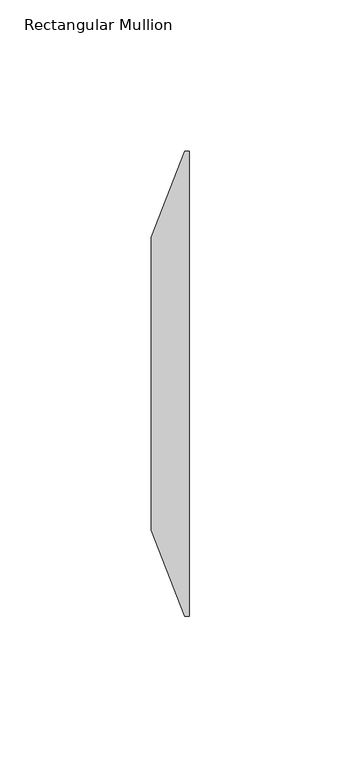
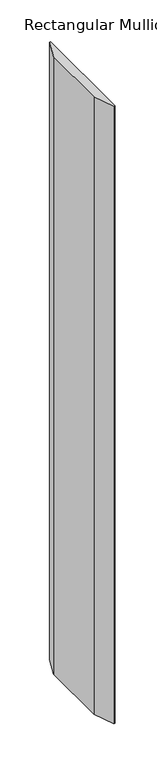
"""IFC4 building model written with IfcOpenShell, lengths in millimetres: member geometry, Rectangular Mullion."""

from ifc_helpers import new_model, si_unit, frame, origin, place, context, project, spatial, polyline, outline, extrude, source, transform, mapped, element, save


def rectangular_mullion_b34195df(model_context):
    return source(origin(), model_context, "Body", "SweptSolid", [
        extrude(outline(polyline([(0.0, -66.675), (-1.5875, -66.675), (-12.7, -38.1), (-12.7, 58.7375), (-1.5875, 87.3125), (0.0, 87.3125), (0.0, -66.675)])), frame((0.0, 0.0, -902.335), z_axis=(0.0, 0.0, 1.0), x_axis=(1.0, 0.0, 0.0)), (0.0, 0.0, 1.0), 902.335),
    ])


if __name__ == "__main__":
    model = new_model("IFC4")
    model_context = context("Model", 3, world=origin())
    ifc_project = project(units=[si_unit("LENGTHUNIT", "METRE", prefix="MILLI")], contexts=[model_context])
    site = spatial("IfcSite", under=ifc_project)
    building = spatial("IfcBuilding", under=site)
    placement = place(None, origin())
    rectangular_mullion_shape = rectangular_mullion_b34195df(model_context)
    element("IfcMember", 1, ObjectType="Rectangular Mullion", at=placement, inside=building, context=model_context, shape_type="MappedRepresentation", body=[
        mapped(rectangular_mullion_shape, transform((0.0, 0.0, 0.0), x_axis=(1.0, 0.0, 0.0), y_axis=(0.0, 1.0, 0.0), z_axis=(0.0, 0.0, 1.0))),
    ])
    save(model, "model.ifc")
